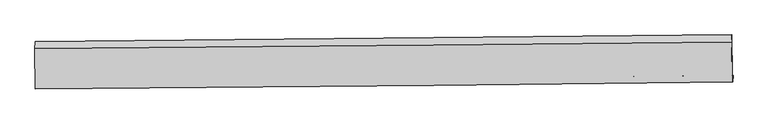
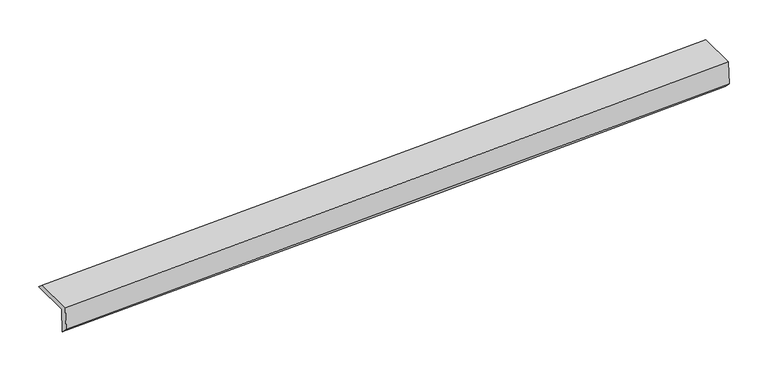
"""IFC4 building model written with IfcOpenShell, lengths in millimetres: proxy geometry."""

from ifc_helpers import new_model, si_unit, frame, origin, place, context, project, spatial, source, transform, mapped, element, save
from ifc_brep_helpers import plane_surface, spline_curve, spline_surface, advanced_brep


def generic_models_17a73fe9(model_context):
    return source(origin(), model_context, "Body", "AdvancedBrep", [
        advanced_brep(
        [(-5941.5421133, -1871.3038558, 1445.6052891), (-5954.9232104, -1873.9087666, 1848.8100722), (5393.8851784, -1763.9684858, 2226.1515587), (5407.2662756, -1761.363575, 1822.9467757), (-5944.17094, -1981.9234496, 1558.3548162), (5404.6374488, -1871.9831688, 1935.6963027), (-5957.1693896, -1984.45387, 1950.0295033), (5391.3073203, -1874.5781575, 2337.3652792), (-5964.0036742, -1322.9477557, 1954.0763655), (5384.5763423, -1223.0713225, 2341.3509693), (-5961.7880356, -1209.4465523, 1852.8750188), (5387.0203532, -1099.5062715, 2230.2165053)],
        [
            (0, 1),
            (1, 2, spline_curve(3, [(-5954.9232104, -1873.9087666, 1848.8100722), (-3791.048662737, -1854.565415275, 1912.955778367), (-1627.332976463, -1834.297675669, 1981.558391643), (2155.533281563, -1797.244345104, 2109.299149115), (3774.753725295, -1780.865324824, 2166.477032216), (5393.8851784, -1763.9684858, 2226.1515587)], [4, 2, 4], [0.0, 21.30807596481877, 37.25605941249189])),
            (2, 3),
            (3, 0, spline_curve(3, [(5407.2662756, -1761.363575, 1822.9467757), (3788.231476312, -1778.241598062, 1760.359833263), (2169.066312685, -1794.60985754, 1701.516235442), (-1613.767460541, -1831.656863268, 1572.796619717), (-3777.538426622, -1851.935364496, 1505.859721537), (-5941.5421133, -1871.3038558, 1445.6052891)], [4, 2, 4], [0.0, 15.947983447673117, 37.25605941249189])),
            (4, 0),
            (3, 5),
            (5, 4, spline_curve(3, [(5404.6374488, -1871.9831688, 1935.6963027), (3785.409341388, -1888.898823175, 1878.934191955), (2166.13361843, -1905.288605315, 1823.422023926), (-1616.765125304, -1942.34825944, 1696.66012415), (-3780.425531015, -1962.605237678, 1626.391796944), (-5944.17094, -1981.9234496, 1558.3548162)], [4, 2, 4], [0.0, 15.947966331492662, 37.25601942740925])),
            (6, 4),
            (5, 7),
            (7, 6, spline_curve(3, [(5391.3073203, -1874.5781575, 2337.3652792), (3772.140445664, -1891.481892125, 2278.758088505), (2152.920002196, -1907.860912586, 2221.580205396), (-1629.863508262, -1944.898133927, 2091.346046226), (-3793.468634266, -1965.144350449, 2019.412003442), (-5957.1693896, -1984.45387, 1950.0295033)], [4, 2, 4], [0.0, 15.947944539106828, 37.255968518250484])),
            (8, 6),
            (7, 9),
            (9, 8, spline_curve(3, [(5384.5763423, -1223.0713225, 2341.3509693), (3765.390395621, -1238.129055773, 2282.755071534), (2146.152734574, -1252.841530113, 2225.587383983), (-1636.66666695, -1286.404757607, 2095.374477733), (-3800.289011056, -1304.984428274, 2023.450630677), (-5964.0036742, -1322.9477557, 1954.0763655)], [4, 2, 4], [0.0, 15.947954470593789, 37.25599171918178])),
            (10, 8),
            (9, 11),
            (11, 10, spline_curve(3, [(5387.0203532, -1099.5062715, 2230.2165053), (3767.888899988, -1116.403110586, 2170.541978842), (2148.668456213, -1132.782130742, 2113.364095887), (-1634.197801463, -1169.835461219, 1985.62333778), (-3797.913487885, -1190.103200487, 1917.020725413), (-5961.7880356, -1209.4465523, 1852.8750188)], [4, 2, 4], [0.0, 15.947960425616994, 37.25600563070226])),
            (1, 10),
            (11, 2),
        ],
        [
            spline_surface(3, 3, [[(-5941.5421133, -1871.3038558, 1445.6052891), (-3777.538426351, -1851.93536455, 1505.859721596), (-1613.767460361, -1831.656863474, 1572.796619368), (2169.06631255, -1794.609857386, 1701.516235703), (3788.23147623, -1778.241598197, 1760.359833521), (5407.2662756, -1761.363575, 1822.9467757)], [(-5946.002479017, -1872.172159396, 1580.006883451), (-3782.041838444, -1852.812048025, 1641.558407275), (-1618.289299065, -1832.537134075, 1709.050543345), (2164.555302254, -1795.48802001, 1837.443873556), (3783.738892546, -1779.116173696, 1895.732233076), (5402.805909883, -1762.231878596, 1957.348370051)], [(-5950.462844683, -1873.040463004, 1714.408477849), (-3786.545250488, -1853.688731511, 1777.257093), (-1622.811137822, -1833.417404756, 1845.304467385), (2160.044291906, -1796.366182714, 1973.371511472), (3779.246308811, -1779.990749205, 2031.104632578), (5398.345544117, -1763.100182204, 2091.749964349)], [(-5954.9232104, -1873.9087666, 1848.8100722), (-3791.048662581, -1854.565414986, 1912.955778679), (-1627.332976527, -1834.297675357, 1981.558391362), (2155.533281611, -1797.244345338, 2109.299149325), (3774.753725127, -1780.865324703, 2166.477032132), (5393.8851784, -1763.9684858, 2226.1515587)]], [4, 4], [4, 2, 4], [0.0, 1.3403571288382101], [0.0, 21.30807596481877, 37.25605941249189]),
            spline_surface(3, 3, [[(-5944.17094, -1981.9234496, 1558.3548162), (-3780.425531312, -1962.605237622, 1626.391796663), (-1616.765125093, -1942.348259339, 1696.660124257), (2166.133618272, -1905.288605391, 1823.422023846), (3785.409341623, -1888.89882341, 1878.934191743), (5404.6374488, -1871.9831688, 1935.6963027)], [(-5943.294664413, -1945.050251668, 1520.771640508), (-3779.463162972, -1925.715279933, 1586.214438316), (-1615.765903531, -1905.451127398, 1655.372289312), (2167.111183016, -1868.395689403, 1782.786761151), (3786.350053145, -1852.013081674, 1839.409405644), (5405.513724387, -1835.109970868, 1898.113127008)], [(-5942.418388887, -1908.177053732, 1483.188464792), (-3778.500794691, -1888.825322239, 1546.037079943), (-1614.766681923, -1868.553995415, 1614.084454312), (2168.088747806, -1831.502773374, 1742.151498399), (3787.290764708, -1815.127339933, 1799.88461962), (5406.390000013, -1798.236772932, 1860.529951392)], [(-5941.5421133, -1871.3038558, 1445.6052891), (-3777.538426351, -1851.93536455, 1505.859721596), (-1613.767460361, -1831.656863474, 1572.796619368), (2169.06631255, -1794.609857386, 1701.516235703), (3788.23147623, -1778.241598197, 1760.359833521), (5407.2662756, -1761.363575, 1822.9467757)]], [4, 4], [4, 2, 4], [0.0, 0.5428579562604227], [0.0, 21.308053095916588, 37.25601942740925]),
            spline_surface(3, 3, [[(-5957.1693896, -1984.45387, 1950.0295033), (-3793.468634482, -1965.144350775, 2019.412003693), (-1629.863507998, -1944.898133937, 2091.346046097), (2152.920001997, -1907.860912578, 2221.580205492), (3772.140445513, -1891.481891943, 2278.7580884), (5391.3073203, -1874.5781575, 2337.3652792)], [(-5952.836573077, -1983.610396525, 1819.471274283), (-3789.120933436, -1964.297979716, 1888.405268033), (-1625.497380341, -1944.048175752, 1959.784072139), (2157.324540778, -1907.003476864, 2088.860811599), (3776.563410904, -1890.620869103, 2145.483456208), (5395.750696488, -1873.713161271, 2203.475620394)], [(-5948.503756523, -1982.766923075, 1688.913045217), (-3784.773232358, -1963.451608681, 1757.398532323), (-1621.13125275, -1943.198217523, 1828.222098215), (2161.729079492, -1906.146041105, 1956.14141774), (3780.986376232, -1889.75984625, 2012.208823935), (5400.194072612, -1872.848165029, 2069.585961506)], [(-5944.17094, -1981.9234496, 1558.3548162), (-3780.425531312, -1962.605237622, 1626.391796663), (-1616.765125093, -1942.348259339, 1696.660124257), (2166.133618272, -1905.288605391, 1823.422023846), (3785.409341623, -1888.89882341, 1878.934191743), (5404.6374488, -1871.9831688, 1935.6963027)]], [4, 4], [4, 2, 4], [0.0, 1.2997504021206965], [0.0, 21.308023979143655, 37.255968518250484]),
            spline_surface(3, 3, [[(-5964.0036742, -1322.9477557, 1954.0763655), (-3800.289011036, -1304.984428189, 2023.450630365), (-1636.666666771, -1286.404757864, 2095.374477462), (2146.152734441, -1252.84152992, 2225.587384185), (3765.390395737, -1238.129055899, 2282.755071686), (5384.5763423, -1223.0713225, 2341.3509693)], [(-5961.725579347, -1543.4497938, 1952.727411439), (-3798.015552199, -1525.037735718, 2022.10442148), (-1634.398947187, -1505.902549879, 2094.031667026), (2148.408490286, -1471.18132413, 2224.251657973), (3767.640412329, -1455.913334593, 2281.422743923), (5386.820001633, -1440.240267513, 2340.022405932)], [(-5959.447484453, -1763.9518319, 1951.378457361), (-3795.74209332, -1745.091043246, 2020.758212578), (-1632.131227582, -1725.400341922, 2092.688856533), (2150.664246152, -1689.521118368, 2222.915931704), (3769.890428921, -1673.697613248, 2280.090416163), (5389.063660967, -1657.409212487, 2338.693842568)], [(-5957.1693896, -1984.45387, 1950.0295033), (-3793.468634482, -1965.144350775, 2019.412003693), (-1629.863507998, -1944.898133937, 2091.346046097), (2152.920001997, -1907.860912578, 2221.580205492), (3772.140445513, -1891.481891943, 2278.7580884), (5391.3073203, -1874.5781575, 2337.3652792)]], [4, 4], [4, 2, 4], [0.0, 2.156457868603561], [0.0, 21.30803724858799, 37.25599171918178]),
            spline_surface(3, 3, [[(-5961.7880356, -1209.4465523, 1852.8750188), (-3797.913487781, -1190.103200686, 1917.020725279), (-1634.197801727, -1169.835460957, 1985.623337862), (2148.668456411, -1132.782130938, 2113.364095825), (3767.888899927, -1116.403110403, 2170.541978732), (5387.0203532, -1099.5062715, 2230.2165053)], [(-5962.526581776, -1247.280286781, 1886.60880103), (-3798.705328842, -1228.396943201, 1952.497360305), (-1635.020756756, -1208.691893237, 2022.207051035), (2147.829882407, -1172.801930578, 2150.771858584), (3767.056065176, -1156.978425557, 2207.946343043), (5386.205682879, -1140.694621822, 2267.261326626)], [(-5963.265128024, -1285.114021219, 1920.34258327), (-3799.497169976, -1266.690685674, 1987.97399534), (-1635.843711743, -1247.548325583, 2058.79076429), (2146.991308445, -1212.821730281, 2188.179621426), (3766.223230488, -1197.553740745, 2245.350707376), (5385.391012621, -1181.882972178, 2304.306147974)], [(-5964.0036742, -1322.9477557, 1954.0763655), (-3800.289011036, -1304.984428189, 2023.450630365), (-1636.666666771, -1286.404757864, 2095.374477462), (2146.152734441, -1252.84152992, 2225.587384185), (3765.390395737, -1238.129055899, 2282.755071686), (5384.5763423, -1223.0713225, 2341.3509693)]], [4, 4], [4, 2, 4], [0.0, 0.5301236717249846], [0.0, 21.308045205085268, 37.25600563070226]),
            spline_surface(3, 3, [[(-5954.9232104, -1873.9087666, 1848.8100722), (-3791.048662581, -1854.565414986, 1912.955778679), (-1627.332976527, -1834.297675357, 1981.558391362), (2155.533281611, -1797.244345338, 2109.299149325), (3774.753725127, -1780.865324703, 2166.477032132), (5393.8851784, -1763.9684858, 2226.1515587)], [(-5957.21148547, -1652.421361829, 1850.165054388), (-3793.336937652, -1633.078010215, 1914.310760868), (-1629.621251597, -1612.810270586, 1982.913373551), (2153.24500654, -1575.756940567, 2110.654131513), (3772.465450056, -1559.377919932, 2167.832014321), (5391.59690333, -1542.481081029, 2227.506540888)], [(-5959.49976053, -1430.933957071, 1851.520036612), (-3795.625212711, -1411.590605457, 1915.665743091), (-1631.909526656, -1391.322865727, 1984.268355674), (2150.956731481, -1354.269535709, 2112.009113636), (3770.177174997, -1337.890515174, 2169.186996544), (5389.30862827, -1320.993676271, 2228.861523112)], [(-5961.7880356, -1209.4465523, 1852.8750188), (-3797.913487781, -1190.103200686, 1917.020725279), (-1634.197801727, -1169.835460957, 1985.623337862), (2148.668456411, -1132.782130938, 2113.364095825), (3767.888899927, -1116.403110403, 2170.541978732), (5387.0203532, -1099.5062715, 2230.2165053)]], [4, 4], [4, 2, 4], [0.0, 2.1801512735368758], [0.0, 21.308053033604562, 37.25601931845992]),
            plane_surface(frame((5394.7821531, -1599.0784969, 2148.9545651), z_axis=(0.9993964018332199, 0.010121861414845054, 0.033232212148942876), x_axis=(0.010330655812121293, -0.9999279260609194, -0.006117208023296453))),
            plane_surface(frame((-5953.9328939, -1707.3307084, 1768.2918442), z_axis=(-0.9993964018332198, -0.01012186141485613, -0.033232212148941113), x_axis=(0.03316789944064952, 0.006456826233333666, -0.9994289368642914))),
        ],
        [
            (0, [[1, 2, 3, 4]]),
            (1, [[5, -4, 6, 7]]),
            (2, [[8, -7, 9, 10]]),
            (3, [[11, -10, 12, 13]]),
            (4, [[14, -13, 15, 16]]),
            (5, [[17, -16, 18, -2]]),
            (6, [[-12, -9, -6, -3, -18, -15]]),
            (7, [[-1, -5, -8, -11, -14, -17]]),
        ],
    ),
    ])


if __name__ == "__main__":
    model = new_model("IFC4")
    model_context = context("Model", 3, world=origin())
    ifc_project = project(units=[si_unit("LENGTHUNIT", "METRE", prefix="MILLI")], contexts=[model_context])
    site = spatial("IfcSite", under=ifc_project)
    building = spatial("IfcBuilding", under=site)
    placement = place(None, origin())
    generic_models_shape = generic_models_17a73fe9(model_context)
    element("IfcBuildingElementProxy", 1, Name="Generic Models", at=placement, inside=building, context=model_context, shape_type="MappedRepresentation", body=[
        mapped(generic_models_shape, transform((0.0, 0.0, 0.0), x_axis=(1.0, 0.0, 0.0), y_axis=(0.0, 1.0, 0.0), z_axis=(0.0, 0.0, 1.0))),
    ])
    save(model, "model.ifc")
